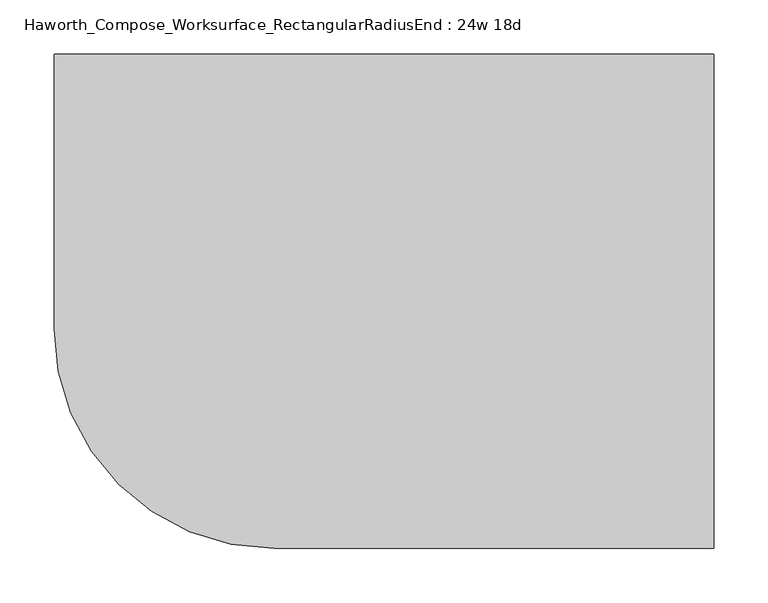
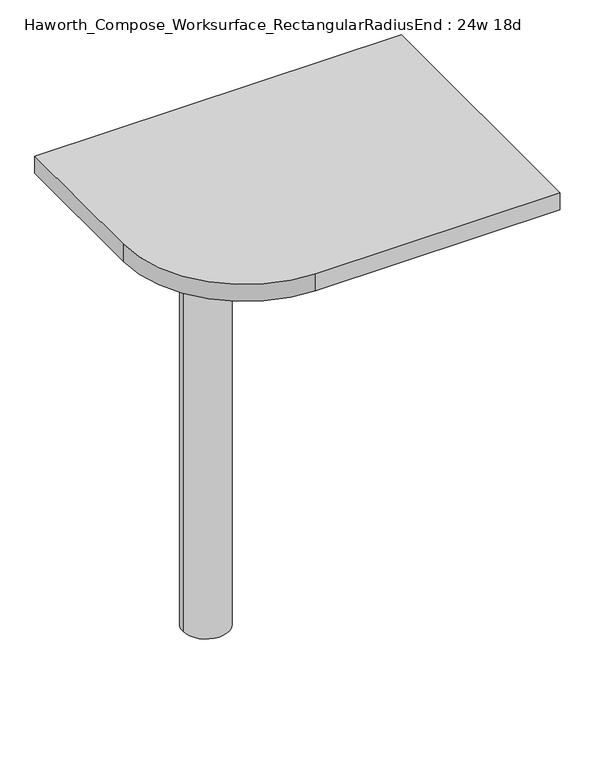
"""IFC4 building model written with IfcOpenShell, lengths in millimetres: furniture geometry, Haworth_Compose_Worksurface_RectangularRadiusEnd : 24w 18d."""

from ifc_helpers import new_model, si_unit, point, frame, frame_2d, origin, place, context, project, spatial, polyline, circle_curve, trimmed, segment, composite_curve, outline, extrude, source, transform, mapped, element, save
from ifc_brep_helpers import plane_surface, cylinder_surface, revolved_surface, advanced_brep


def haworth_compose_worksurface_rectangularradiusend_24w_18d_3647a3b7(model_context):
    return source(origin(), model_context, "Body", "SolidModel", [
        advanced_brep(
        [(299.24375, 228.6, 475.45625), (299.24375, 212.725, 475.45625), (299.24375, -177.8, 691.7192568), (299.24375, -177.8, 704.05625), (299.24375, 212.725, 704.05625), (299.24375, 228.6, 704.05625), (299.24375, 145.290072, 665.95625), (299.24375, 101.6355284, 665.95625), (299.24375, 98.9564235, 656.3705539), (299.24375, 190.6776173, 605.5776439), (299.24375, 200.025, 611.1756969), (299.24375, 200.025, 634.6860246), (299.24375, 198.2730055, 637.5242776), (299.24375, 148.3663437, 665.1613425), (301.625, 228.6, 475.45625), (301.625, 228.6, 704.05625), (301.625, 212.725, 704.05625), (301.625, 212.725, 706.4375), (301.625, -177.8, 706.4375), (301.625, -177.8, 691.7192568), (301.625, 212.725, 475.45625), (301.625, 145.290072, 665.95625), (301.625, 148.3663437, 665.1613425), (301.625, 198.2730055, 637.5242776), (301.625, 200.025, 634.6860246), (301.625, 200.025, 611.1756969), (301.625, 190.6776173, 605.5776439), (301.625, 98.9564235, 656.3705539), (301.625, 101.6355284, 665.95625), (260.35, -177.8, 706.4375), (260.35, -177.8, 704.05625), (260.35, 212.725, 704.05625), (260.35, 212.725, 706.4375)],
        [
            (0, 1),
            (1, 2),
            (2, 3),
            (3, 4),
            (4, 5),
            (5, 0),
            (6, 7),
            (7, 8, circle_curve(frame((299.24375, 101.6355284, 660.7890106), z_axis=(1.0, 0.0, 0.0), x_axis=(0.0, -1.0, 0.0)), 5.1672394)),
            (8, 9),
            (9, 10, circle_curve(frame((299.24375, 193.675, 611.1756969), z_axis=(1.0, 0.0, 0.0), x_axis=(0.0, -1.0, 0.0)), 6.35)),
            (10, 11),
            (11, 12, circle_curve(frame((299.24375, 196.85, 634.6860246), z_axis=(1.0, 0.0, 0.0), x_axis=(0.0, -1.0, 0.0)), 3.175)),
            (12, 13),
            (13, 6, circle_curve(frame((299.24375, 145.290072, 659.60625), z_axis=(1.0, 0.0, 0.0), x_axis=(0.0, -1.0, 0.0)), 6.35)),
            (14, 15),
            (15, 16),
            (16, 17),
            (17, 18),
            (18, 19),
            (19, 20),
            (20, 14),
            (21, 22, circle_curve(frame((301.625, 145.290072, 659.60625), z_axis=(-1.0, 0.0, 0.0), x_axis=(0.0, -1.0, 0.0)), 6.35)),
            (22, 23),
            (23, 24, circle_curve(frame((301.625, 196.85, 634.6860246), z_axis=(-1.0, 0.0, 0.0), x_axis=(0.0, -1.0, 0.0)), 3.175)),
            (24, 25),
            (25, 26, circle_curve(frame((301.625, 193.675, 611.1756969), z_axis=(-1.0, 0.0, 0.0), x_axis=(0.0, -1.0, 0.0)), 6.35)),
            (26, 27),
            (27, 28, circle_curve(frame((301.625, 101.6355284, 660.7890106), z_axis=(-1.0, 0.0, 0.0), x_axis=(0.0, -1.0, 0.0)), 5.1672394)),
            (28, 21),
            (4, 16),
            (15, 5),
            (14, 0),
            (20, 1),
            (19, 2),
            (18, 29),
            (29, 30),
            (30, 3),
            (6, 21),
            (28, 7),
            (9, 26),
            (25, 10),
            (24, 11),
            (23, 12),
            (27, 8),
            (31, 4),
            (30, 31),
            (32, 29),
            (17, 32),
            (31, 32),
            (22, 13),
        ],
        [
            plane_surface(frame((299.24375, 228.6, 475.45625), z_axis=(-1.0, 0.0, 0.0), x_axis=(0.0, 1.0, 0.0))),
            plane_surface(frame((301.625, 228.6, 475.45625), z_axis=(1.0, 0.0, 0.0), x_axis=(0.0, -1.0, 0.0))),
            plane_surface(frame((301.625, -177.8, 704.05625), z_axis=(0.0, 0.0, 1.0), x_axis=(-1.0, 0.0, 0.0))),
            plane_surface(frame((301.625, 228.6, 704.05625), z_axis=(0.0, 1.0, 0.0), x_axis=(-1.0, 0.0, 0.0))),
            plane_surface(frame((301.625, 228.6, 475.45625), z_axis=(0.0, 0.0, -1.0), x_axis=(-1.0, 0.0, 0.0))),
            plane_surface(frame((301.625, 212.725, 475.45625), z_axis=(0.0, -0.48445223513455843, -0.8748177135112952), x_axis=(-1.0, 0.0, 0.0))),
            plane_surface(frame((301.625, -177.8, 691.7192568), z_axis=(0.0, -1.0, 0.0), x_axis=(-1.0, 0.0, 0.0))),
            plane_surface(frame((301.625, 145.290072, 665.95625), z_axis=(0.0, 0.0, -1.0), x_axis=(-1.0, 0.0, 0.0))),
            revolved_surface(polyline([(299.24375, 187.32500000000002, 611.1756969), (301.625, 187.32500000000002, 611.1756969)]), (301.625, 193.675, 611.1756969), (-1.0, 0.0, 0.0)),
            plane_surface(frame((301.625, 200.025, 611.1756969), z_axis=(0.0, -1.0, 0.0), x_axis=(-1.0, 0.0, 0.0))),
            revolved_surface(polyline([(299.24375, 193.67499999999998, 634.6860246), (301.625, 193.67499999999998, 634.6860246)]), (301.625, 196.85, 634.6860246), (-1.0, 0.0, 0.0)),
            revolved_surface(polyline([(299.24375, 96.468289, 660.7890106), (301.625, 96.468289, 660.7890106)]), (301.625, 101.6355284, 660.7890106), (-1.0, 0.0, 0.0)),
            plane_surface(frame((301.625, 212.725, 704.05625), z_axis=(0.0, 0.0, -1.0), x_axis=(-1.0, 0.0, 0.0))),
            plane_surface(frame((301.625, 212.725, 706.4375), z_axis=(0.0, 0.0, 1.0), x_axis=(1.0, 0.0, 0.0))),
            plane_surface(frame((260.35, 212.725, 706.4375), z_axis=(0.0, 1.0, 0.0), x_axis=(0.0, 0.0, -1.0))),
            plane_surface(frame((260.35, -177.8, 706.4375), z_axis=(-1.0, 0.0, 0.0), x_axis=(0.0, 0.0, -1.0))),
            plane_surface(frame((301.625, 98.9564235, 656.3705539), z_axis=(0.0, 0.4844522351345583, 0.8748177135112953), x_axis=(-1.0, 0.0, 0.0))),
            plane_surface(frame((301.625, 198.2730055, 637.5242776), z_axis=(0.0, -0.4844522351345582, -0.8748177135112953), x_axis=(-1.0, 0.0, 0.0))),
            revolved_surface(polyline([(299.24375, 138.94007200000001, 659.60625), (301.625, 138.94007200000001, 659.60625)]), (301.625, 145.290072, 659.60625), (-1.0, 0.0, 0.0)),
        ],
        [
            (0, [[1, 2, 3, 4, 5, 6], [7, 8, 9, 10, 11, 12, 13, 14]]),
            (1, [[15, 16, 17, 18, 19, 20, 21], [22, 23, 24, 25, 26, 27, 28, 29]]),
            (2, [[-5, 30, -16, 31]]),
            (3, [[-31, -15, 32, -6]]),
            (4, [[-32, -21, 33, -1]]),
            (5, [[-33, -20, 34, -2]]),
            (6, [[-34, -19, 35, 36, 37, -3]]),
            (7, [[38, -29, 39, -7]]),
            (8, [[40, -26, 41, -10]]),
            (9, [[-41, -25, 42, -11]]),
            (10, [[-42, -24, 43, -12]]),
            (11, [[-39, -28, 44, -8]]),
            (12, [[45, -4, -37, 46]]),
            (13, [[47, -35, -18, 48]]),
            (14, [[-17, -30, -45, 49, -48]]),
            (15, [[-36, -47, -49, -46]]),
            (16, [[-44, -27, -40, -9]]),
            (17, [[-43, -23, 50, -13]]),
            (18, [[-50, -22, -38, -14]]),
        ],
    ),
        advanced_brep(
        [(-114.3, 0.0, 706.4375), (-190.5, 0.0, 706.4375), (-152.4, 0.0, 706.4375), (-114.3, 0.0, 0.0), (-190.5, 0.0, 0.0), (-152.4, 0.0, 0.0)],
        [
            (0, 1, circle_curve(frame((-152.4, 0.0, 706.4375), z_axis=(0.0, 0.0, 1.0), x_axis=(-1.0, 0.0, 0.0)), 38.1)),
            (1, 2),
            (2, 0),
            (1, 0, circle_curve(frame((-152.4, 0.0, 706.4375), z_axis=(0.0, 0.0, 1.0), x_axis=(-1.0, 0.0, 0.0)), 38.1)),
            (3, 4, circle_curve(frame((-152.4, 0.0, 0.0), z_axis=(0.0, 0.0, 1.0), x_axis=(-1.0, 0.0, 0.0)), 38.1)),
            (4, 1),
            (0, 3),
            (4, 3, circle_curve(frame((-152.4, 0.0, 0.0), z_axis=(0.0, 0.0, 1.0), x_axis=(-1.0, 0.0, 0.0)), 38.1)),
            (5, 4),
            (3, 5),
        ],
        [
            plane_surface(frame((-152.4, 0.0, 706.4375), z_axis=(0.0, 0.0, 1.0), x_axis=(-1.0, 0.0, 0.0))),
            cylinder_surface(frame((-152.4, 0.0, 889.623257), z_axis=(0.0, 0.0, -1.0), x_axis=(-1.0, 0.0, 0.0)), 38.1),
            plane_surface(frame((-152.4, 0.0, 0.0), z_axis=(0.0, 0.0, -1.0), x_axis=(-1.0, 0.0, 0.0))),
        ],
        [
            (0, [[1, 2, 3]]),
            (0, [[4, -3, -2]]),
            (1, [[5, 6, -1, 7]]),
            (1, [[8, -7, -4, -6]]),
            (2, [[9, -5, 10]]),
            (2, [[-10, -8, -9]]),
        ],
    ),
        extrude(outline(composite_curve([segment(polyline([(304.8, 228.6), (304.8, -228.6), (-101.6, -228.6)]), True, "CONTINUOUS"), segment(trimmed(circle_curve(frame_2d((-101.6, -25.4)), 203.2), [point((-101.6, -228.6))], [point((-304.8, -25.4))], False, "CARTESIAN"), True, "CONTINUOUS"), segment(polyline([(-304.8, -25.4), (-304.8, 228.6), (304.8, 228.6)]), True, "CONTINUOUS")], self_intersect=False)), frame((0.0, 0.0, 706.4375), z_axis=(0.0, 0.0, 1.0), x_axis=(1.0, 0.0, 0.0)), (0.0, 0.0, 1.0), 30.1625),
    ])


if __name__ == "__main__":
    model = new_model("IFC4")
    model_context = context("Model", 3, world=origin())
    ifc_project = project(units=[si_unit("LENGTHUNIT", "METRE", prefix="MILLI")], contexts=[model_context])
    site = spatial("IfcSite", under=ifc_project)
    building = spatial("IfcBuilding", under=site)
    placement = place(None, origin())
    haworth_compose_worksurface_rectangularradiusend_24w_18d_shape = haworth_compose_worksurface_rectangularradiusend_24w_18d_3647a3b7(model_context)
    element("IfcFurniture", 1, ObjectType="Haworth_Compose_Worksurface_RectangularRadiusEnd : 24w 18d", at=placement, inside=building, context=model_context, shape_type="MappedRepresentation", body=[
        mapped(haworth_compose_worksurface_rectangularradiusend_24w_18d_shape, transform((0.0, 0.0, 0.0), x_axis=(1.0, 0.0, 0.0), y_axis=(0.0, 1.0, 0.0), z_axis=(0.0, 0.0, 1.0))),
    ])
    save(model, "model.ifc")
